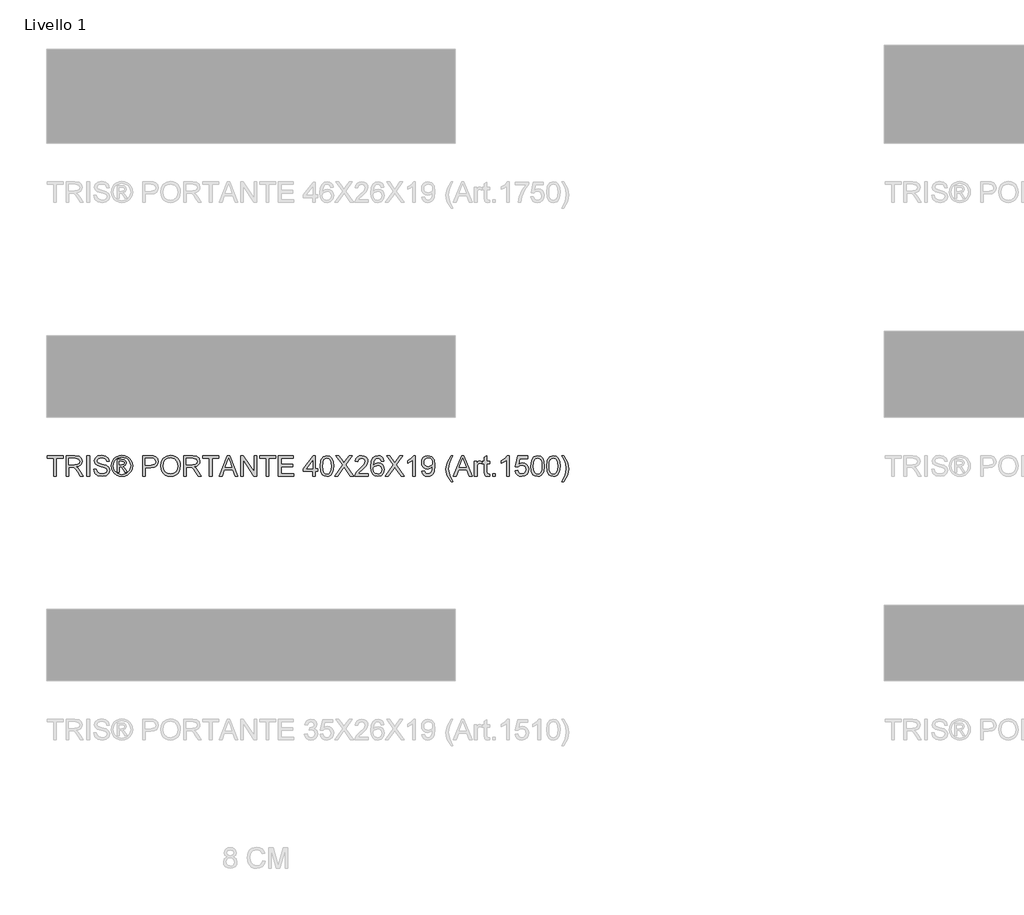
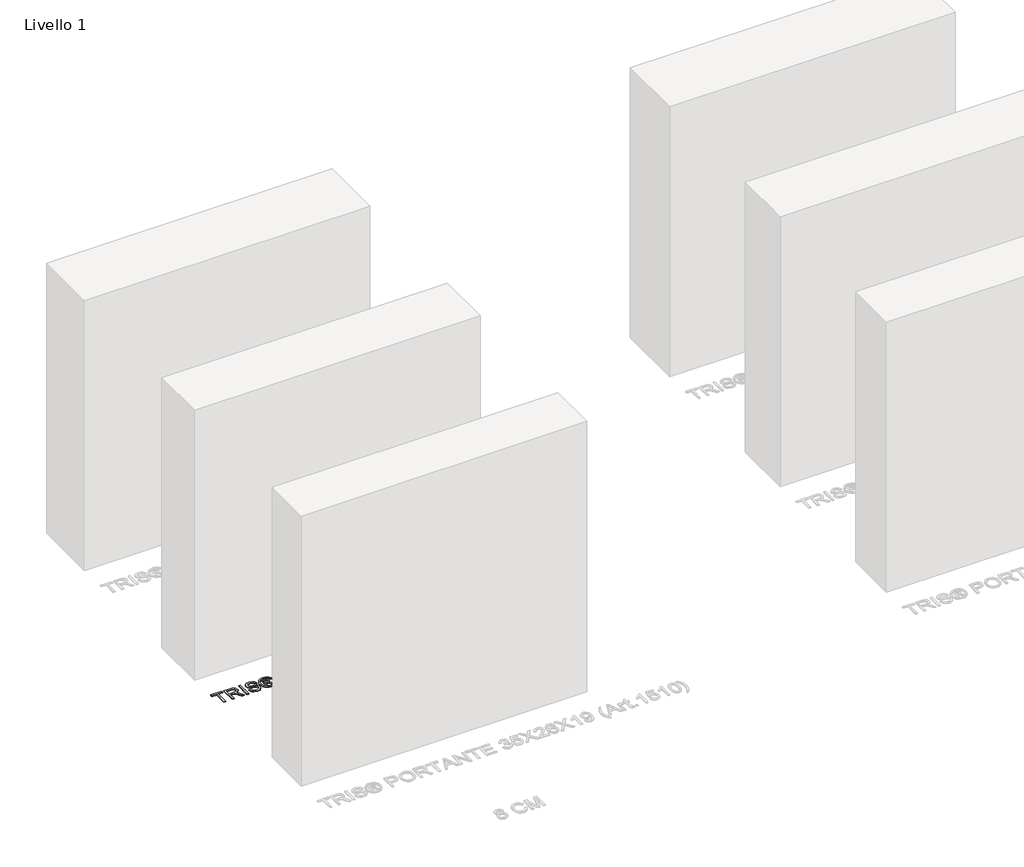
# One storey, part 11 of 19: 1 proxy.
"""IFC4 building model written with IfcOpenShell, lengths in millimetres."""

from ifc_helpers import new_model, si_unit, origin, origin_with_axes, place, context, project, spatial, polyline, outline, extrude, element, save

model = new_model("IFC4")

# Units and contexts
model_context = context("Model", 3, world=origin())
ifc_project = project(units=[si_unit("LENGTHUNIT", "METRE", prefix="MILLI")], contexts=[model_context])

# Site, building, storey
site = spatial("IfcSite", under=ifc_project)
building = spatial("IfcBuilding", under=site)
storey = spatial("IfcBuildingStorey", under=building, Name="Livello 1", Elevation=0.0)

# Proxy
placement = place(None, origin())
element("IfcBuildingElementProxy", 1, Name="100", ObjectType="100", at=placement, inside=storey, context=model_context, shape_type="SweptSolid", body=[
    extrude(outline(polyline([(-5200.6104208, 1233.8942151), (-5200.6104208, 1321.7934865), (-5233.5726476, 1321.7934865), (-5233.5726476, 1334.3505252), (-5155.0911553, 1334.3505252), (-5155.0911553, 1321.7934865), (-5188.053382, 1321.7934865), (-5188.053382, 1233.8942151), (-5200.6104208, 1233.8942151)])), origin_with_axes(), (0.0, 0.0, 1.0), 5.0),
    extrude(outline(polyline([(-5140.9644866, 1233.8942151), (-5140.9644866, 1334.3505252), (-5097.6770385, 1334.3505252), (-5077.5784189, 1331.6404612), (-5066.59101, 1322.0510039), (-5062.4829943, 1306.8574775), (-5064.1844486, 1296.9614518), (-5069.2888112, 1288.7576833), (-5077.9493666, 1282.7428127), (-5090.3193986, 1279.4134806), (-5083.1824879, 1274.0424035), (-5073.0044194, 1261.1174827), (-5056.2535259, 1233.8942151), (-5070.8461784, 1233.8942151), (-5083.9182519, 1254.716336), (-5093.3605565, 1268.4996481), (-5099.9946951, 1275.0111594), (-5105.9666462, 1277.4023924), (-5113.2507097, 1277.8438508), (-5128.4074479, 1277.8438508), (-5128.4074479, 1233.8942151), (-5140.9644866, 1233.8942151)]), holes=[polyline([(-5128.4074479, 1290.4008895), (-5100.3012634, 1290.4008895), (-5085.9661284, 1292.1789858), (-5077.8236735, 1297.868894), (-5075.0400331, 1306.3914936), (-5080.3497966, 1317.4524789), (-5097.1374783, 1321.7934865), (-5128.4074479, 1321.7934865), (-5128.4074479, 1290.4008895)])]), origin_with_axes(), (0.0, 0.0, 1.0), 5.0),
    extrude(outline(polyline([(-5038.9385466, 1233.8942151), (-5038.9385466, 1334.3505252), (-5026.3815079, 1334.3505252), (-5026.3815079, 1233.8942151), (-5038.9385466, 1233.8942151)])), origin_with_axes(), (0.0, 0.0, 1.0), 5.0),
    extrude(outline(polyline([(-5005.9763199, 1268.4260717), (-4993.4192811, 1268.4260717), (-4989.3725792, 1255.8567702), (-4979.4888162, 1247.9105191), (-4964.4301799, 1244.881624), (-4951.3090554, 1247.1747551), (-4942.8355068, 1253.4778), (-4940.0518663, 1261.9022976), (-4942.136531, 1269.7381841), (-4950.6713933, 1275.4403551), (-4968.9551284, 1280.2350837), (-4988.6368152, 1286.427764), (-4999.3176558, 1295.7719667), (-5002.8370602, 1308.255429), (-4998.4837899, 1322.4679368), (-4985.7673356, 1332.4988525), (-4967.1525067, 1335.9201551), (-4947.2868789, 1332.339437), (-4934.0431271, 1321.8180119), (-4929.0644574, 1306.097188), (-4941.6214962, 1306.097188), (-4943.92689, 1313.589718), (-4948.7338814, 1318.9975833), (-4966.6619973, 1323.3631163), (-4984.6391642, 1319.0466342), (-4990.2800214, 1308.623311), (-4986.2823704, 1299.9167705), (-4965.7790805, 1292.9024871), (-4943.559008, 1286.5994422), (-4931.4066395, 1276.4213737), (-4927.4948276, 1262.2211287), (-4931.9952506, 1247.1992806), (-4944.9446969, 1236.2363971), (-4963.9396706, 1232.3245852), (-4986.3682095, 1236.5429654), (-5000.5561918, 1249.247157), (-5005.9763199, 1268.4260717)])), origin_with_axes(), (0.0, 0.0, 1.0), 5.0),
    extrude(outline(polyline([(-4891.3933411, 1252.7297732), (-4891.3933411, 1315.5149671), (-4871.1107804, 1315.5149671), (-4856.0521441, 1313.7859217), (-4848.6331905, 1307.752657), (-4845.8740756, 1298.5923953), (-4850.632016, 1286.6730186), (-4863.2381058, 1280.9831105), (-4858.3330125, 1277.647647), (-4849.7736247, 1265.1151337), (-4842.7348159, 1252.7297732), (-4853.3298173, 1252.7297732), (-4858.8480473, 1262.6871126), (-4868.0941481, 1277.1080868), (-4876.1139756, 1279.4134806), (-4881.975562, 1279.4134806), (-4881.975562, 1252.7297732), (-4891.3933411, 1252.7297732)]), holes=[polyline([(-4881.975562, 1288.8312597), (-4870.0561854, 1288.8312597), (-4858.4065889, 1291.2224927), (-4855.2918547, 1297.5623257), (-4856.7879081, 1302.1240624), (-4860.9449746, 1305.1161693), (-4870.8164749, 1306.097188), (-4881.975562, 1306.097188), (-4881.975562, 1288.8312597)])]), origin_with_axes(), (0.0, 0.0, 1.0), 5.0),
    extrude(outline(polyline([(-4867.824368, 1335.9201551), (-4854.930104, 1334.246292), (-4842.3424084, 1329.2247028), (-4831.2844888, 1321.0883793), (-4822.9795527, 1310.0703135), (-4817.7832196, 1297.3477279), (-4816.0511085, 1284.0978447), (-4817.7586941, 1270.9644575), (-4822.8814509, 1258.346105), (-4831.0852194, 1247.3678931), (-4842.0358401, 1239.1549276), (-4854.6449955, 1234.0321708), (-4867.824368, 1232.3245852), (-4880.9853463, 1234.0321708), (-4893.5883704, 1239.1549276), (-4904.5481881, 1247.3678931), (-4912.7795478, 1258.346105), (-4917.9298957, 1270.9644575), (-4919.6466783, 1284.0978447), (-4917.9053702, 1297.3477279), (-4912.6814459, 1310.0703135), (-4904.3489187, 1321.0883793), (-4893.281802, 1329.2247028), (-4880.7002378, 1334.246292), (-4867.824368, 1335.9201551)]), holes=[polyline([(-4867.824368, 1326.502376), (-4888.6464889, 1321.0209343), (-4897.6749262, 1314.3592045), (-4904.5022029, 1305.3368985), (-4910.2288993, 1284.0978447), (-4904.6125675, 1263.0427318), (-4888.8917435, 1247.3586961), (-4867.824368, 1241.7423643), (-4846.7447296, 1247.3586961), (-4831.0606939, 1263.0427318), (-4825.4688876, 1284.0978447), (-4831.1587958, 1305.3368985), (-4837.9676784, 1314.3592045), (-4847.0145098, 1321.0209343), (-4867.824368, 1326.502376)])]), origin_with_axes(), (0.0, 0.0, 1.0), 5.0),
    extrude(outline(polyline([(-4765.8229534, 1233.8942151), (-4765.8229534, 1334.3505252), (-4728.5932955, 1334.3505252), (-4713.5837101, 1333.394032), (-4701.3822906, 1328.6974052), (-4693.4728277, 1318.9853206), (-4690.4807208, 1305.2878476), (-4692.5010061, 1293.4481787), (-4698.561862, 1283.5828099), (-4709.8956931, 1276.9241458), (-4727.7349042, 1274.7045911), (-4753.2659147, 1274.7045911), (-4753.2659147, 1233.8942151), (-4765.8229534, 1233.8942151)]), holes=[polyline([(-4753.2659147, 1287.2616298), (-4726.9991402, 1287.2616298), (-4708.5069386, 1291.8724175), (-4704.4050543, 1297.4213043), (-4703.0377596, 1304.8463892), (-4706.2628584, 1315.2451869), (-4714.736407, 1320.9350951), (-4727.2934458, 1321.7934865), (-4753.2659147, 1321.7934865), (-4753.2659147, 1287.2616298)])]), origin_with_axes(), (0.0, 0.0, 1.0), 5.0),
    extrude(outline(polyline([(-4677.923682, 1282.797995), (-4674.5759559, 1305.0119361), (-4664.5327774, 1321.8180119), (-4649.1982296, 1332.3946193), (-4629.9763953, 1335.9201551), (-4616.8000885, 1334.2646861), (-4604.9849451, 1329.2982792), (-4595.1747586, 1321.3704222), (-4588.0133224, 1310.830603), (-4583.6355267, 1298.1877251), (-4582.1762614, 1283.9506919), (-4583.7121688, 1269.5235863), (-4588.3198908, 1256.7028988), (-4595.7449757, 1246.1446855), (-4605.7329719, 1238.5050027), (-4617.4469477, 1233.8696896), (-4630.0499717, 1232.3245852), (-4643.4286136, 1234.0321708), (-4655.3112021, 1239.1549276), (-4665.0968631, 1247.2299374), (-4672.1847229, 1257.794282), (-4677.923682, 1282.797995)]), holes=[polyline([(-4665.3666433, 1282.6753676), (-4662.8558487, 1266.9606751), (-4655.3234648, 1254.9861161), (-4644.0018964, 1247.407747), (-4630.1235481, 1244.881624), (-4616.0428648, 1247.4322725), (-4604.7029023, 1255.084218), (-4597.2257007, 1267.4266589), (-4594.7333002, 1284.0487938), (-4599.0007313, 1304.7728128), (-4611.471931, 1318.4948112), (-4629.9028189, 1323.3631163), (-4643.4102195, 1321.0178686), (-4654.8942691, 1313.9821254), (-4662.7485497, 1301.4649405), (-4665.3666433, 1282.6753676)])]), origin_with_axes(), (0.0, 0.0, 1.0), 5.0),
    extrude(outline(polyline([(-4564.9103331, 1233.8942151), (-4564.9103331, 1334.3505252), (-4521.622885, 1334.3505252), (-4501.5242654, 1331.6404612), (-4490.5368564, 1322.0510039), (-4486.4288408, 1306.8574775), (-4488.1302951, 1296.9614518), (-4493.2346577, 1288.7576833), (-4501.895213, 1282.7428127), (-4514.2652451, 1279.4134806), (-4507.1283344, 1274.0424035), (-4496.9502659, 1261.1174827), (-4480.1993724, 1233.8942151), (-4494.7920248, 1233.8942151), (-4507.8640984, 1254.716336), (-4517.306403, 1268.4996481), (-4523.9405416, 1275.0111594), (-4529.9124927, 1277.4023924), (-4537.1965562, 1277.8438508), (-4552.3532944, 1277.8438508), (-4552.3532944, 1233.8942151), (-4564.9103331, 1233.8942151)]), holes=[polyline([(-4552.3532944, 1290.4008895), (-4524.2471099, 1290.4008895), (-4509.9119749, 1292.1789858), (-4501.76952, 1297.868894), (-4498.9858796, 1306.3914936), (-4504.2956431, 1317.4524789), (-4521.0833248, 1321.7934865), (-4552.3532944, 1321.7934865), (-4552.3532944, 1290.4008895)])]), origin_with_axes(), (0.0, 0.0, 1.0), 5.0),
    extrude(outline(polyline([(-4439.3399454, 1233.8942151), (-4439.3399454, 1321.7934865), (-4472.3021722, 1321.7934865), (-4472.3021722, 1334.3505252), (-4393.8206799, 1334.3505252), (-4393.8206799, 1321.7934865), (-4426.7829067, 1321.7934865), (-4426.7829067, 1233.8942151), (-4439.3399454, 1233.8942151)])), origin_with_axes(), (0.0, 0.0, 1.0), 5.0),
    extrude(outline(polyline([(-4391.3926587, 1233.8942151), (-4351.2935213, 1334.3505252), (-4340.6004179, 1334.3505252), (-4300.5012805, 1233.8942151), (-4313.7695578, 1233.8942151), (-4325.2720015, 1265.286812), (-4366.6464632, 1265.286812), (-4378.1243814, 1233.8942151), (-4391.3926587, 1233.8942151)]), holes=[polyline([(-4362.0356755, 1277.8438508), (-4329.8582637, 1277.8438508), (-4338.9081608, 1302.5409954), (-4345.9469696, 1321.7934865), (-4352.2009635, 1304.6992364), (-4362.0356755, 1277.8438508)])]), origin_with_axes(), (0.0, 0.0, 1.0), 5.0),
    extrude(outline(polyline([(-4287.0858504, 1233.8942151), (-4287.0858504, 1334.3505252), (-4273.6458948, 1334.3505252), (-4221.1613968, 1254.7653869), (-4221.1613968, 1334.3505252), (-4208.6043581, 1334.3505252), (-4208.6043581, 1233.8942151), (-4222.0443136, 1233.8942151), (-4274.5288116, 1313.5038788), (-4274.5288116, 1233.8942151), (-4287.0858504, 1233.8942151)])), origin_with_axes(), (0.0, 0.0, 1.0), 5.0),
    extrude(outline(polyline([(-4161.5154627, 1233.8942151), (-4161.5154627, 1321.7934865), (-4194.4776895, 1321.7934865), (-4194.4776895, 1334.3505252), (-4115.9961971, 1334.3505252), (-4115.9961971, 1321.7934865), (-4148.9584239, 1321.7934865), (-4148.9584239, 1233.8942151), (-4161.5154627, 1233.8942151)])), origin_with_axes(), (0.0, 0.0, 1.0), 5.0),
    extrude(outline(polyline([(-4101.8695285, 1233.8942151), (-4101.8695285, 1334.3505252), (-4029.6665556, 1334.3505252), (-4029.6665556, 1321.7934865), (-4089.3124898, 1321.7934865), (-4089.3124898, 1291.9705194), (-4032.8058153, 1291.9705194), (-4032.8058153, 1279.4134806), (-4089.3124898, 1279.4134806), (-4089.3124898, 1246.4512538), (-4028.0969258, 1246.4512538), (-4028.0969258, 1233.8942151), (-4101.8695285, 1233.8942151)])), origin_with_axes(), (0.0, 0.0, 1.0), 5.0),
    extrude(outline(polyline([(-3933.919135, 1233.8942151), (-3933.919135, 1257.4386628), (-3979.4384005, 1257.4386628), (-3979.4384005, 1269.9957015), (-3930.7798753, 1332.7808954), (-3921.3620962, 1332.7808954), (-3921.3620962, 1269.9957015), (-3908.8050575, 1269.9957015), (-3908.8050575, 1257.4386628), (-3921.3620962, 1257.4386628), (-3921.3620962, 1233.8942151), (-3933.919135, 1233.8942151)]), holes=[polyline([(-3933.919135, 1269.9957015), (-3933.919135, 1308.7949893), (-3963.9873567, 1269.9957015), (-3933.919135, 1269.9957015)])]), origin_with_axes(), (0.0, 0.0, 1.0), 5.0),
    extrude(outline(polyline([(-3897.8176485, 1283.3130298), (-3894.1265659, 1312.2162918), (-3883.1636824, 1328.8813462), (-3864.8554218, 1334.3505252), (-3850.1891929, 1331.1131637), (-3840.0601753, 1321.7812237), (-3834.1740634, 1306.9187911), (-3831.893195, 1283.3130298), (-3835.5474895, 1254.532395), (-3846.4735847, 1237.8305524), (-3854.7049444, 1233.701077), (-3864.8554218, 1232.3245852), (-3877.9029699, 1234.7158182), (-3887.8112583, 1241.8895171), (-3895.316051, 1258.8795339), (-3897.8176485, 1283.3130298)]), holes=[polyline([(-3885.2606098, 1283.3375552), (-3883.7890818, 1263.5853578), (-3879.3744979, 1252.1534248), (-3872.8016729, 1246.6995742), (-3864.8554218, 1244.881624), (-3856.9091707, 1246.7057056), (-3850.3363457, 1252.1779502), (-3845.9217618, 1263.6160146), (-3844.4502338, 1283.3375552), (-3845.8727108, 1302.6452286), (-3850.140142, 1314.1660664), (-3856.7007042, 1319.8866314), (-3865.0025746, 1321.7934865), (-3872.8629865, 1320.113492), (-3879.1782941, 1315.0735087), (-3883.7400309, 1302.835301), (-3885.2606098, 1283.3375552)])]), origin_with_axes(), (0.0, 0.0, 1.0), 5.0),
    extrude(outline(polyline([(-3827.1843055, 1233.8942151), (-3788.4585941, 1288.635056), (-3820.9057861, 1334.3505252), (-3805.8471497, 1334.3505252), (-3787.5756773, 1308.623311), (-3781.4197853, 1298.5923953), (-3774.2092982, 1308.7949893), (-3756.1340295, 1334.3505252), (-3740.8546639, 1334.3505252), (-3773.3018559, 1288.4879032), (-3734.5761445, 1233.8942151), (-3749.6347809, 1233.8942151), (-3775.4355715, 1270.2900071), (-3780.8066486, 1277.8438508), (-3786.717286, 1269.5542431), (-3811.9049399, 1233.8942151), (-3827.1843055, 1233.8942151)])), origin_with_axes(), (0.0, 0.0, 1.0), 5.0),
    extrude(outline(polyline([(-3662.3731716, 1246.4512538), (-3662.3731716, 1233.8942151), (-3728.2976252, 1233.8942151), (-3726.9487245, 1242.5517047), (-3719.3213045, 1255.8812957), (-3703.6004806, 1270.4371599), (-3681.9199683, 1291.3573827), (-3676.4998402, 1305.5821532), (-3681.6134, 1317.0968597), (-3694.9675164, 1321.7934865), (-3708.8857186, 1317.2072242), (-3714.1709565, 1304.5275581), (-3726.7279953, 1306.097188), (-3723.6837718, 1318.2434252), (-3717.1017498, 1327.1155127), (-3707.3252858, 1332.5417721), (-3694.6977363, 1334.3505252), (-3681.9782163, 1332.339437), (-3672.2201464, 1326.3061723), (-3666.0121377, 1317.2930634), (-3663.9428015, 1306.3424427), (-3666.1746189, 1294.4353287), (-3673.5935725, 1282.1235446), (-3691.583002, 1264.91893), (-3706.0285017, 1252.8401378), (-3711.6938844, 1246.4512538), (-3662.3731716, 1246.4512538)])), origin_with_axes(), (0.0, 0.0, 1.0), 5.0),
    extrude(outline(polyline([(-3585.4613092, 1307.6668178), (-3598.0183479, 1306.097188), (-3602.7762884, 1316.5695621), (-3615.3578526, 1321.7934865), (-3626.6886181, 1318.7523286), (-3635.2602686, 1307.335724), (-3638.8287239, 1284.956236), (-3627.7554759, 1294.974889), (-3614.0334775, 1298.2490388), (-3602.4329319, 1296.01109), (-3592.6963217, 1289.2972435), (-3586.0928399, 1279.0394672), (-3583.8916793, 1266.1697288), (-3588.0364831, 1248.8424868), (-3599.440825, 1236.5797536), (-3615.8974129, 1232.3245852), (-3630.1436432, 1235.1450139), (-3641.489737, 1243.6062997), (-3648.9117563, 1258.5423088), (-3651.3857627, 1280.7869067), (-3648.6389105, 1305.796751), (-3640.3983538, 1322.8971324), (-3629.1472961, 1331.487177), (-3614.5730377, 1334.3505252), (-3603.554972, 1332.5785603), (-3594.7319354, 1327.2626655), (-3588.5515179, 1318.8197737), (-3585.4613092, 1307.6668178)]), holes=[polyline([(-3638.8287239, 1266.3659325), (-3635.9224562, 1255.4888882), (-3628.1969343, 1247.591688), (-3616.8784316, 1244.881624), (-3608.5918896, 1246.2857069), (-3602.0773126, 1250.4979558), (-3597.8558667, 1257.1198317), (-3596.4487181, 1265.7527959), (-3597.8374726, 1274.0393378), (-3602.0037362, 1280.3577111), (-3608.6286778, 1284.3584278), (-3617.3934664, 1285.692), (-3632.5869928, 1280.3577111), (-3637.2682911, 1274.192622), (-3638.8287239, 1266.3659325)])]), origin_with_axes(), (0.0, 0.0, 1.0), 5.0),
    extrude(outline(polyline([(-3579.1827898, 1233.8942151), (-3540.4570784, 1288.635056), (-3572.9042704, 1334.3505252), (-3557.8456341, 1334.3505252), (-3539.5741616, 1308.623311), (-3533.4182696, 1298.5923953), (-3526.2077825, 1308.7949893), (-3508.1325138, 1334.3505252), (-3492.8531483, 1334.3505252), (-3525.3003402, 1288.4879032), (-3486.5746289, 1233.8942151), (-3501.6332652, 1233.8942151), (-3527.4340558, 1270.2900071), (-3532.8051329, 1277.8438508), (-3538.7157703, 1269.5542431), (-3563.9034243, 1233.8942151), (-3579.1827898, 1233.8942151)])), origin_with_axes(), (0.0, 0.0, 1.0), 5.0),
    extrude(outline(polyline([(-3431.6375843, 1233.8942151), (-3444.194623, 1233.8942151), (-3444.194623, 1312.1795036), (-3456.0894742, 1303.705955), (-3469.3087006, 1297.366122), (-3469.3087006, 1309.2364477), (-3450.9023381, 1320.9841461), (-3439.7309881, 1334.3505252), (-3431.6375843, 1334.3505252), (-3431.6375843, 1233.8942151)])), origin_with_axes(), (0.0, 0.0, 1.0), 5.0),
    extrude(outline(polyline([(-3400.2449873, 1259.0082926), (-3387.6879486, 1260.5779225), (-3382.0470913, 1248.5972321), (-3371.353988, 1244.881624), (-3361.1881822, 1247.272857), (-3354.2965261, 1253.6617409), (-3350.1885105, 1264.5755735), (-3348.373626, 1279.1437005), (-3348.4472024, 1281.5962471), (-3358.4903809, 1272.0803662), (-3372.2614302, 1268.4260717), (-3383.7117573, 1270.6578891), (-3393.2429667, 1277.3533414), (-3399.6717046, 1287.6969569), (-3401.8146172, 1300.8732637), (-3399.5674713, 1314.4848975), (-3392.8260338, 1325.1534753), (-3382.7000818, 1332.0512628), (-3370.2993929, 1334.3505252), (-3352.4080652, 1329.1020754), (-3340.0962811, 1314.141541), (-3335.8901636, 1286.0353565), (-3340.0840184, 1255.5379391), (-3345.2987457, 1245.5468773), (-3352.555218, 1238.2597481), (-3361.5407358, 1233.8083759), (-3371.9425992, 1232.3245852), (-3382.6786221, 1234.0750904), (-3391.2441412, 1239.3266059), (-3397.2344863, 1247.7480379), (-3400.2449873, 1259.0082926)]), holes=[polyline([(-3348.4472024, 1301.1675693), (-3349.8022344, 1309.6779061), (-3353.8673305, 1316.2262056), (-3360.1765067, 1320.4016662), (-3368.2637792, 1321.7934865), (-3376.6514887, 1320.2943673), (-3383.3714665, 1315.7970099), (-3387.7860504, 1308.9145509), (-3389.2575784, 1300.260127), (-3387.8657582, 1292.5008826), (-3383.6902975, 1286.3419249), (-3377.1358667, 1282.3228141), (-3368.6071357, 1280.9831105), (-3354.1248479, 1286.3419249), (-3349.8666138, 1292.7277432), (-3348.4472024, 1301.1675693)])]), origin_with_axes(), (0.0, 0.0, 1.0), 5.0),
    extrude(outline(polyline([(-3257.4086713, 1205.6408778), (-3275.2386854, 1235.0959629), (-3280.701733, 1252.2760521), (-3282.5227489, 1270.0692779), (-3277.0780953, 1300.6034835), (-3257.4086713, 1334.3505252), (-3247.9908923, 1334.3505252), (-3259.7385906, 1314.460372), (-3266.8019249, 1295.1833555), (-3269.9657101, 1269.9957015), (-3264.4720056, 1237.806027), (-3247.9908923, 1205.6408778), (-3257.4086713, 1205.6408778)])), origin_with_axes(), (0.0, 0.0, 1.0), 5.0),
    extrude(outline(polyline([(-3245.5628711, 1233.8942151), (-3205.4637336, 1334.3505252), (-3194.7706303, 1334.3505252), (-3154.6714928, 1233.8942151), (-3167.9397701, 1233.8942151), (-3179.4422138, 1265.286812), (-3220.8166756, 1265.286812), (-3232.2945938, 1233.8942151), (-3245.5628711, 1233.8942151)]), holes=[polyline([(-3216.2058879, 1277.8438508), (-3184.028476, 1277.8438508), (-3193.0783731, 1302.5409954), (-3200.117182, 1321.7934865), (-3206.3711759, 1304.6992364), (-3216.2058879, 1277.8438508)])]), origin_with_axes(), (0.0, 0.0, 1.0), 5.0),
    extrude(outline(polyline([(-3142.8256926, 1233.8942151), (-3142.8256926, 1307.6668178), (-3131.8382837, 1307.6668178), (-3131.8382837, 1296.7529853), (-3124.0391854, 1306.8084265), (-3116.1910361, 1309.2364477), (-3103.5849464, 1305.361424), (-3107.7788012, 1294.104235), (-3116.6079691, 1296.6794089), (-3123.7080916, 1294.2023368), (-3128.2330401, 1287.3352062), (-3130.2686538, 1272.6689774), (-3130.2686538, 1233.8942151), (-3142.8256926, 1233.8942151)])), origin_with_axes(), (0.0, 0.0, 1.0), 5.0),
    extrude(outline(polyline([(-3069.0530898, 1244.3665892), (-3067.48346, 1233.5263331), (-3076.8767136, 1232.3245852), (-3087.3981386, 1234.4092499), (-3092.6465884, 1239.8784289), (-3094.1671673, 1254.1277248), (-3094.1671673, 1295.1097791), (-3103.5849464, 1295.1097791), (-3103.5849464, 1307.6668178), (-3094.1671673, 1307.6668178), (-3094.1671673, 1325.5949337), (-3081.6101286, 1332.9770991), (-3081.6101286, 1307.6668178), (-3069.0530898, 1307.6668178), (-3069.0530898, 1295.1097791), (-3081.6101286, 1295.1097791), (-3081.6101286, 1254.4956068), (-3080.947941, 1248.0208837), (-3078.8019627, 1245.7277526), (-3074.5222688, 1244.881624), (-3069.0530898, 1244.3665892)])), origin_with_axes(), (0.0, 0.0, 1.0), 5.0),
    extrude(outline(polyline([(-3053.3567913, 1233.8942151), (-3053.3567913, 1246.4512538), (-3040.7997526, 1246.4512538), (-3040.7997526, 1233.8942151), (-3053.3567913, 1233.8942151)])), origin_with_axes(), (0.0, 0.0, 1.0), 5.0),
    extrude(outline(polyline([(-2973.3056692, 1233.8942151), (-2985.862708, 1233.8942151), (-2985.862708, 1312.1795036), (-2997.7575591, 1303.705955), (-3010.9767855, 1297.366122), (-3010.9767855, 1309.2364477), (-2992.570423, 1320.9841461), (-2981.3990731, 1334.3505252), (-2973.3056692, 1334.3505252), (-2973.3056692, 1233.8942151)])), origin_with_axes(), (0.0, 0.0, 1.0), 5.0),
    extrude(outline(polyline([(-2943.4827021, 1260.5779225), (-2930.9256634, 1262.1475523), (-2924.598093, 1249.2103688), (-2911.4769685, 1244.881624), (-2902.4761224, 1246.3868745), (-2895.7316191, 1250.902626), (-2891.5193703, 1257.9077123), (-2890.1152874, 1266.8809673), (-2895.3759999, 1281.7924508), (-2901.9825474, 1285.8943351), (-2911.2807648, 1287.2616298), (-2922.3049619, 1285.0788633), (-2929.3560335, 1279.4134806), (-2941.9130723, 1280.9831105), (-2930.9256634, 1332.7808954), (-2882.2671381, 1332.7808954), (-2882.2671381, 1320.2238566), (-2920.7721203, 1320.2238566), (-2926.1431974, 1292.5591306), (-2917.1730081, 1298.0037841), (-2907.7736231, 1299.8186686), (-2896.0412532, 1297.5684571), (-2886.3015773, 1290.8178225), (-2879.7440808, 1280.5293893), (-2877.5582486, 1267.6657822), (-2879.5264173, 1255.1087435), (-2885.4309233, 1244.3665892), (-2896.7371633, 1235.3350862), (-2911.5260195, 1232.3245852), (-2923.8592634, 1234.2590314), (-2933.6847783, 1240.0623699), (-2940.4200845, 1249.0601503), (-2943.4827021, 1260.5779225)])), origin_with_axes(), (0.0, 0.0, 1.0), 5.0),
    extrude(outline(polyline([(-2866.5708397, 1283.3130298), (-2862.879757, 1312.2162918), (-2851.9168735, 1328.8813462), (-2833.6086129, 1334.3505252), (-2818.942384, 1331.1131637), (-2808.8133664, 1321.7812237), (-2802.9272545, 1306.9187911), (-2800.6463861, 1283.3130298), (-2804.3006806, 1254.532395), (-2815.2267759, 1237.8305524), (-2823.4581355, 1233.701077), (-2833.6086129, 1232.3245852), (-2846.656161, 1234.7158182), (-2856.5644494, 1241.8895171), (-2864.0692421, 1258.8795339), (-2866.5708397, 1283.3130298)]), holes=[polyline([(-2854.0138009, 1283.3375552), (-2852.5422729, 1263.5853578), (-2848.127689, 1252.1534248), (-2841.554864, 1246.6995742), (-2833.6086129, 1244.881624), (-2825.6623618, 1246.7057056), (-2819.0895368, 1252.1779502), (-2814.6749529, 1263.6160146), (-2813.2034249, 1283.3375552), (-2814.6259019, 1302.6452286), (-2818.8933331, 1314.1660664), (-2825.4538953, 1319.8866314), (-2833.7557657, 1321.7934865), (-2841.6161777, 1320.113492), (-2847.9314852, 1315.0735087), (-2852.493222, 1302.835301), (-2854.0138009, 1283.3375552)])]), origin_with_axes(), (0.0, 0.0, 1.0), 5.0),
    extrude(outline(polyline([(-2789.6589772, 1283.3130298), (-2785.9678945, 1312.2162918), (-2775.0050111, 1328.8813462), (-2756.6967504, 1334.3505252), (-2742.0305216, 1331.1131637), (-2731.901504, 1321.7812237), (-2726.015392, 1306.9187911), (-2723.7345237, 1283.3130298), (-2727.3888182, 1254.532395), (-2738.3149134, 1237.8305524), (-2746.5462731, 1233.701077), (-2756.6967504, 1232.3245852), (-2769.7442985, 1234.7158182), (-2779.6525869, 1241.8895171), (-2787.1573796, 1258.8795339), (-2789.6589772, 1283.3130298)]), holes=[polyline([(-2777.1019384, 1283.3375552), (-2775.6304105, 1263.5853578), (-2771.2158265, 1252.1534248), (-2764.6430015, 1246.6995742), (-2756.6967504, 1244.881624), (-2748.7504993, 1246.7057056), (-2742.1776744, 1252.1779502), (-2737.7630904, 1263.6160146), (-2736.2915624, 1283.3375552), (-2737.7140395, 1302.6452286), (-2741.9814706, 1314.1660664), (-2748.5420329, 1319.8866314), (-2756.8439032, 1321.7934865), (-2764.7043152, 1320.113492), (-2771.0196228, 1315.0735087), (-2775.5813595, 1302.835301), (-2777.1019384, 1283.3375552)])]), origin_with_axes(), (0.0, 0.0, 1.0), 5.0),
    extrude(outline(polyline([(-2706.4685954, 1205.6408778), (-2715.8863744, 1205.6408778), (-2699.4052611, 1237.806027), (-2693.9115566, 1269.9957015), (-2697.0753418, 1294.9626263), (-2704.0650997, 1314.2641683), (-2715.8863744, 1334.3505252), (-2706.4685954, 1334.3505252), (-2686.7991714, 1300.6034835), (-2681.3545178, 1270.0692779), (-2683.1847307, 1252.2760521), (-2688.6753695, 1235.0959629), (-2706.4685954, 1205.6408778)])), origin_with_axes(), (0.0, 0.0, 1.0), 5.0),
])

save(model, "model.ifc")
